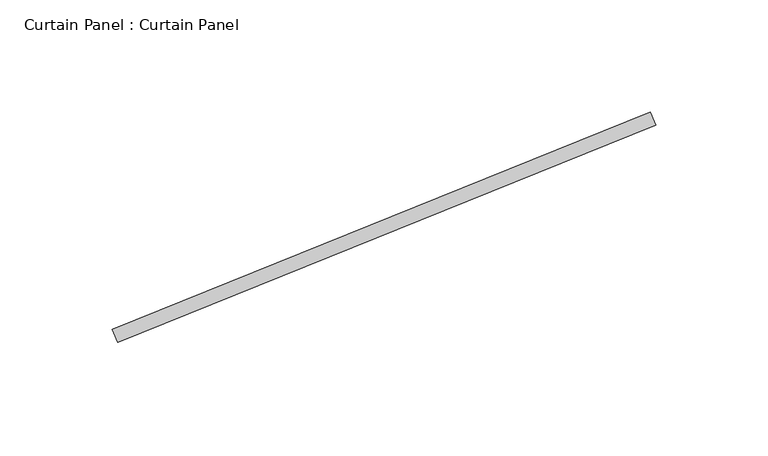
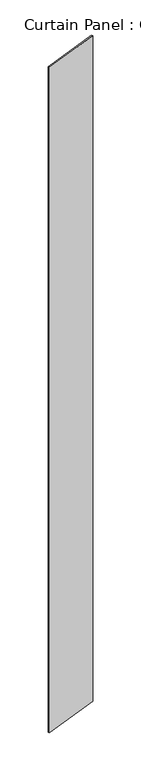
"""IFC4 building model written with IfcOpenShell, lengths in millimetres: plate geometry, Curtain Panel : Curtain Panel."""

from ifc_helpers import new_model, si_unit, origin, origin_with_axes, place, context, project, spatial, polyline, outline, extrude, source, transform, mapped, element, save


def curtain_panel_curtain_panel_7e0c11b8(model_context):
    return source(origin(), model_context, "Body", "SweptSolid", [
        extrude(outline(polyline([(-144815.7289783, 8476.0945281), (-145055.6493905, 8379.1603894), (-145058.0281423, 8385.0480069), (-144818.1077302, 8481.9821455), (-144815.7289783, 8476.0945281)])), origin_with_axes(), (0.0, 0.0, 1.0), 2990.85),
    ])


if __name__ == "__main__":
    model = new_model("IFC4")
    model_context = context("Model", 3, world=origin())
    ifc_project = project(units=[si_unit("LENGTHUNIT", "METRE", prefix="MILLI")], contexts=[model_context])
    site = spatial("IfcSite", under=ifc_project)
    building = spatial("IfcBuilding", under=site)
    placement = place(None, origin())
    curtain_panel_curtain_panel_shape = curtain_panel_curtain_panel_7e0c11b8(model_context)
    element("IfcPlate", 1, ObjectType="Curtain Panel : Curtain Panel", at=placement, inside=building, context=model_context, shape_type="MappedRepresentation", body=[
        mapped(curtain_panel_curtain_panel_shape, transform((0.0, 0.0, 0.0), x_axis=(1.0, 0.0, 0.0), y_axis=(0.0, 1.0, 0.0), z_axis=(0.0, 0.0, 1.0))),
    ])
    save(model, "model.ifc")
